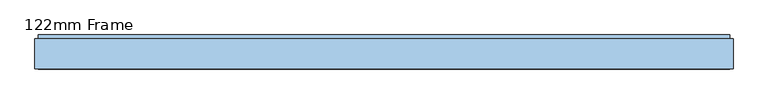
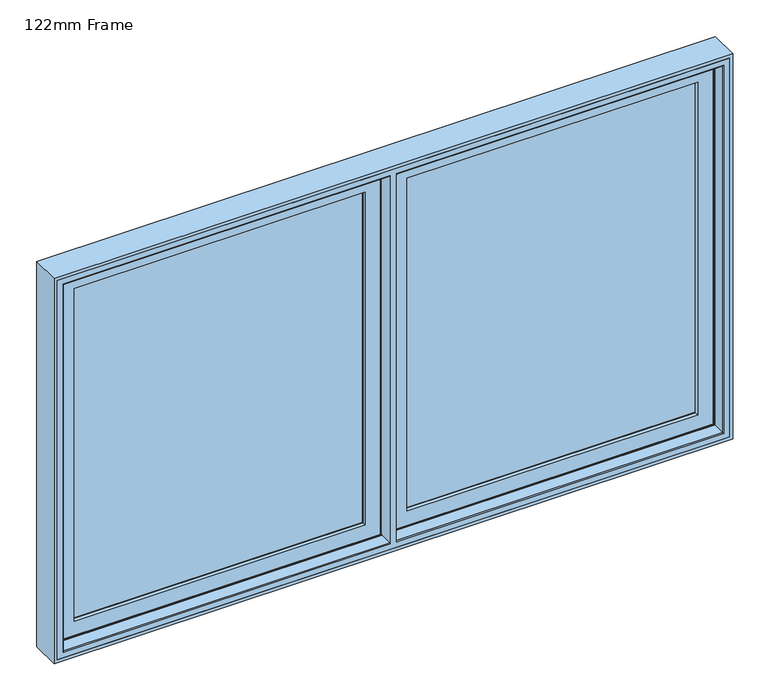
"""IFC4 building model written with IfcOpenShell, lengths in millimetres: window geometry, 122mm Frame."""

from ifc_helpers import new_model, si_unit, frame, origin, place, context, project, spatial, polyline, circle_curve, ellipse_curve, outline, extrude, faceted_brep, source, transform, mapped, element, save
from ifc_brep_helpers import plane_surface, cylinder_surface, advanced_brep


def window_122mm_frame_473fa7a0(model_context):
    return source(origin(), model_context, "Body", "SolidModel", [
        extrude(outline(polyline([(-1160.0, 141.0), (-65.6, 141.0), (-65.6, 93.0), (-1160.0, 93.0), (-1160.0, 141.0)])), frame((0.0, 0.0, 890.0), z_axis=(0.0, 0.0, 1.0), x_axis=(1.0, 0.0, 0.0)), (0.0, 0.0, 1.0), 1320.0),
        faceted_brep([(-43.2001533, 153.0, 2232.3998467), (-43.2001533, 148.4070391, 2232.3998467), (-43.2001533, 148.4070391, 867.6001533), (-43.2001533, 153.0, 867.6001533), (-37.9260611, 139.5531262, 2237.6739389), (-37.9260611, 139.5531262, 862.3260611), (-1182.3998467, 148.4070391, 867.6001533), (-1182.3998467, 153.0, 867.6001533), (-1182.3998467, 153.0, 2232.3998467), (-76.3433832, 153.0, 2199.2566168), (-1149.2566168, 153.0, 2199.2566168), (-1149.2566168, 153.0, 900.7433832), (-76.3433832, 153.0, 900.7433832), (-36.0866045, 139.5531262, 860.4866045), (-1189.5133955, 139.5531262, 860.4866045), (-1189.5133955, 139.5531262, 2239.5133955), (-36.0866045, 139.5531262, 2239.5133955), (-1187.6739389, 139.5531262, 2237.6739389), (-1187.6739389, 139.5531262, 862.3260611), (-36.0866045, 121.0, 2239.5133955), (-36.0866045, 121.0, 860.4866045), (-26.0866045, 121.0, 850.4866045), (-1199.5133955, 121.0, 850.4866045), (-1199.5133955, 121.0, 2249.5133955), (-26.0866045, 121.0, 2249.5133955), (-1189.5133955, 121.0, 2239.5133955), (-1189.5133955, 121.0, 860.4866045), (-26.0866045, 88.5, 2249.5133955), (-26.0866045, 88.5, 850.4866045), (-15.3023, 88.5, 839.7023001), (-1210.2977, 88.5, 839.7023001), (-1210.2977, 88.5, 2260.2977), (-15.3023, 88.5, 2260.2977), (-1199.5133955, 88.5, 2249.5133955), (-1199.5133955, 88.5, 850.4866045), (-15.3023, 83.5, 2260.2977), (-15.3023, 83.5, 839.7023001), (-1210.2977, 83.5, 2260.2977), (-1210.2977, 83.5, 839.7023001), (-22.1, 83.5, 846.5), (-1203.5, 83.5, 846.5), (-1203.5, 83.5, 2253.5), (-22.1, 83.5, 2253.5), (-22.1, 78.0, 2253.5), (-22.1, 78.0, 846.5), (-1203.5, 78.0, 2253.5), (-1203.5, 78.0, 846.5), (-77.2842184, 78.0, 901.6842184), (-1148.3157816, 78.0, 901.6842184), (-1148.3157816, 78.0, 2198.3157816), (-77.2842184, 78.0, 2198.3157816), (-79.5996933, 88.8934531, 2196.0003067), (-79.5996933, 88.8934531, 903.9996933), (-79.5996933, 93.0, 2196.0003067), (-79.5996933, 93.0, 903.9996933), (-1146.0003067, 88.8934531, 903.9996933), (-65.6, 93.0, 890.0), (-1160.0, 93.0, 890.0), (-1160.0, 93.0, 2210.0), (-65.6, 93.0, 2210.0), (-1146.0003067, 93.0, 2196.0003067), (-1146.0003067, 93.0, 903.9996933), (-65.6, 141.0, 2210.0), (-65.6, 141.0, 890.0), (-1160.0, 141.0, 2210.0), (-1160.0, 141.0, 890.0), (-80.0121514, 141.0, 904.4121514), (-1145.5878486, 141.0, 904.4121514), (-1145.5878486, 141.0, 2195.5878486), (-80.0121514, 141.0, 2195.5878486), (-1182.3998467, 148.4070391, 2232.3998467), (-1146.0003067, 88.8934531, 2196.0003067)], [[[0, 1, 2, 3]], [[1, 4, 5, 2]], [[3, 2, 6, 7]], [[3, 7, 8, 0], [9, 10, 11, 12]], [[13, 14, 15, 16], [4, 17, 18, 5]], [[2, 5, 18, 6]], [[16, 19, 20, 13]], [[21, 22, 23, 24], [19, 25, 26, 20]], [[13, 20, 26, 14]], [[24, 27, 28, 21]], [[29, 30, 31, 32], [27, 33, 34, 28]], [[21, 28, 34, 22]], [[32, 35, 36, 29]], [[35, 37, 38, 36], [39, 40, 41, 42]], [[29, 36, 38, 30]], [[42, 43, 44, 39]], [[43, 45, 46, 44], [47, 48, 49, 50]], [[39, 44, 46, 40]], [[50, 51, 52, 47]], [[51, 53, 54, 52]], [[47, 52, 55, 48]], [[56, 57, 58, 59], [53, 60, 61, 54]], [[52, 54, 61, 55]], [[59, 62, 63, 56]], [[62, 64, 65, 63], [66, 67, 68, 69]], [[56, 63, 65, 57]], [[69, 9, 12, 66]], [[66, 12, 11, 67]], [[7, 6, 70, 8]], [[6, 18, 17, 70]], [[14, 26, 25, 15]], [[22, 34, 33, 23]], [[30, 38, 37, 31]], [[40, 46, 45, 41]], [[48, 55, 71, 49]], [[55, 61, 60, 71]], [[57, 65, 64, 58]], [[67, 11, 10, 68]], [[8, 70, 1, 0]], [[70, 17, 4, 1]], [[15, 25, 19, 16]], [[23, 33, 27, 24]], [[31, 37, 35, 32]], [[41, 45, 43, 42]], [[49, 71, 51, 50]], [[71, 60, 53, 51]], [[58, 64, 62, 59]], [[68, 10, 9, 69]]]),
        advanced_brep(
        [(-1214.0, 83.0, 2264.0), (-1214.0, 35.0, 2264.0), (-1214.0, 35.0, 836.0), (-1214.0, 83.0, 836.0), (-1217.0, 32.0, 2267.0), (-1217.0, 32.0, 833.0), (-12.0, 35.0, 836.0), (-12.0, 83.0, 836.0), (1214.0, 35.0, 836.0), (1214.0, 83.0, 836.0), (12.0, 83.0, 836.0), (12.0, 35.0, 836.0), (-12.0, 83.0, 838.0), (-1212.0, 83.0, 838.0), (-1212.0, 83.0, 2262.0), (-12.0, 83.0, 2262.0), (-12.0, 83.0, 2264.0), (1214.0, 83.0, 2264.0), (12.0, 83.0, 2264.0), (12.0, 83.0, 2262.0), (1212.0, 83.0, 2262.0), (1212.0, 83.0, 838.0), (12.0, 83.0, 838.0), (-1212.0, 111.4, 2262.0), (-1212.0, 111.4, 838.0), (-12.0, 91.0, 838.0), (-20.2, 91.0, 838.0), (-17.695195, 111.4, 838.0), (1212.0, 111.4, 838.0), (17.695195, 111.4, 838.0), (20.2, 91.0, 838.0), (12.0, 91.0, 838.0), (-17.695195, 111.4, 846.0999998), (-1203.9000002, 111.4, 846.0999998), (-1203.9000002, 111.4, 2253.9000002), (-17.695195, 111.4, 2253.9000002), (-17.695195, 111.4, 2262.0), (1212.0, 111.4, 2262.0), (17.695195, 111.4, 2262.0), (17.695195, 111.4, 2253.9000002), (1203.9000002, 111.4, 2253.9000002), (1203.9000002, 111.4, 846.0999998), (17.695195, 111.4, 846.0999998), (-1203.9000002, 126.0, 2253.9000002), (-1203.9000002, 126.0, 846.0999998), (-15.9025404, 126.0, 846.0999998), (1203.9000002, 126.0, 846.0999998), (15.9025404, 126.0, 846.0999998), (-15.9025404, 126.0, 853.2798057), (-1196.7201943, 126.0, 853.2798057), (-1196.7201943, 126.0, 2246.7201943), (-15.9025404, 126.0, 2246.7201943), (-15.9025404, 126.0, 2253.9000002), (1203.9000002, 126.0, 2253.9000002), (15.9025404, 126.0, 2253.9000002), (15.9025404, 126.0, 2246.7201943), (1196.7201943, 126.0, 2246.7201943), (1196.7201943, 126.0, 853.2798057), (15.9025404, 126.0, 853.2798057), (-1196.7201943, 140.2372876, 2246.7201943), (-1196.7201943, 140.2372876, 853.2798057), (-14.1544213, 140.2372876, 853.2798057), (1196.7201943, 140.2372876, 853.2798057), (14.1544213, 140.2372876, 853.2798057), (-14.1544213, 140.2372876, 861.9868914), (-1188.0131086, 140.2372876, 861.9868914), (-1188.0131086, 140.2372876, 2238.0131086), (-14.1544213, 140.2372876, 2238.0131086), (-14.1544213, 140.2372876, 2246.7201943), (1196.7201943, 140.2372876, 2246.7201943), (14.1544213, 140.2372876, 2246.7201943), (14.1544213, 140.2372876, 2238.0131086), (1188.0131086, 140.2372876, 2238.0131086), (1188.0131086, 140.2372876, 861.9868914), (14.1544213, 140.2372876, 861.9868914), (-1188.0131086, 143.3877115, 2238.0131086), (-1188.0131086, 143.3877115, 861.9868914), (-13.9379874, 142.0, 861.9868914), (-38.4111574, 142.0, 861.9868914), (-37.9868914, 143.3877115, 861.9868914), (1188.0131086, 143.3877115, 861.9868914), (37.9868914, 143.3877115, 861.9868914), (38.4111574, 142.0, 861.9868914), (13.9379874, 142.0, 861.9868914), (-1191.2576108, 154.0, 858.7423892), (-1191.2576108, 154.0, 2241.2576108), (-34.7423892, 154.0, 858.7423892), (1191.2576108, 154.0, 858.7423892), (34.7423892, 154.0, 858.7423892), (1238.0, 154.0, 812.0), (-1238.0, 154.0, 812.0), (-1238.0, 154.0, 2288.0), (1238.0, 154.0, 2288.0), (-34.7423892, 154.0, 2241.2576108), (1191.2576108, 154.0, 2241.2576108), (34.7423892, 154.0, 2241.2576108), (-1238.0, 90.5, 2288.0), (-1238.0, 90.5, 812.0), (1238.0, 90.5, 812.0), (12.0, 90.5, 812.0), (12.0, 86.5, 812.0), (1238.0, 86.5, 812.0), (1238.0, 32.0, 812.0), (-1238.0, 32.0, 812.0), (-1238.0, 86.5, 812.0), (-12.0, 86.5, 812.0), (-12.0, 90.5, 812.0), (-12.0, 90.5, 819.0), (-1231.0, 90.5, 819.0), (-1231.0, 90.5, 2281.0), (-12.0, 90.5, 2281.0), (-12.0, 90.5, 2288.0), (1238.0, 90.5, 2288.0), (12.0, 90.5, 2288.0), (12.0, 90.5, 2281.0), (1231.0, 90.5, 2281.0), (1231.0, 90.5, 819.0), (12.0, 90.5, 819.0), (-12.0, 32.0, 833.0), (1217.0, 32.0, 833.0), (12.0, 32.0, 833.0), (-12.0, 86.5, 819.0), (-12.0, 32.0, 2267.0), (-12.0, 35.0, 2264.0), (-12.0, 91.0, 2262.0), (-12.0, 86.5, 2288.0), (-12.0, 86.5, 2281.0), (1214.0, 35.0, 2264.0), (12.0, 86.5, 819.0), (12.0, 32.0, 2267.0), (12.0, 91.0, 2262.0), (12.0, 35.0, 2264.0), (12.0, 86.5, 2288.0), (12.0, 86.5, 2281.0), (-20.2, 91.0, 2262.0), (-13.9379874, 142.0, 2238.0131086), (20.2, 91.0, 2262.0), (13.9379874, 142.0, 2238.0131086), (-38.4111574, 142.0, 2238.0131086), (-37.9868914, 143.3877115, 2238.0131086), (1188.0131086, 143.3877115, 2238.0131086), (37.9868914, 143.3877115, 2238.0131086), (38.4111574, 142.0, 2238.0131086), (-1231.0, 86.5, 2281.0), (-1231.0, 86.5, 819.0), (-1238.0, 86.5, 2288.0), (1231.0, 86.5, 819.0), (1231.0, 86.5, 2281.0), (1238.0, 86.5, 2288.0), (1238.0, 32.0, 2288.0), (-1238.0, 32.0, 2288.0), (1217.0, 32.0, 2267.0)],
        [
            (0, 1),
            (1, 2),
            (2, 3),
            (3, 0),
            (1, 4, ellipse_curve(frame((-1217.0, 35.0, 2267.0), z_axis=(-0.7071067811865475, 0.0, -0.7071067811865475), x_axis=(-0.7071067811865474, 0.0, 0.7071067811865476)), 4.2426407, 3.0)),
            (4, 5),
            (5, 2, ellipse_curve(frame((-1217.0, 35.0, 833.0), z_axis=(-0.7071067811865475, 0.0, 0.7071067811865475), x_axis=(0.7071067811865474, 0.0, 0.7071067811865476)), 4.2426407, 3.0)),
            (2, 6),
            (6, 7),
            (7, 3),
            (8, 9),
            (9, 10),
            (10, 11),
            (11, 8),
            (7, 12),
            (12, 13),
            (13, 14),
            (14, 15),
            (15, 16),
            (16, 0),
            (9, 17),
            (17, 18),
            (18, 19),
            (19, 20),
            (20, 21),
            (21, 22),
            (22, 10),
            (23, 14),
            (13, 24),
            (24, 23),
            (12, 25),
            (25, 26),
            (26, 27),
            (27, 24),
            (21, 28),
            (28, 29),
            (29, 30),
            (30, 31),
            (31, 22),
            (27, 32),
            (32, 33),
            (33, 34),
            (34, 35),
            (35, 36),
            (36, 23),
            (28, 37),
            (37, 38),
            (38, 39),
            (39, 40),
            (40, 41),
            (41, 42),
            (42, 29),
            (43, 34),
            (33, 44),
            (44, 43),
            (32, 45),
            (45, 44),
            (41, 46),
            (46, 47),
            (47, 42),
            (45, 48),
            (48, 49),
            (49, 50),
            (50, 51),
            (51, 52),
            (52, 43),
            (46, 53),
            (53, 54),
            (54, 55),
            (55, 56),
            (56, 57),
            (57, 58),
            (58, 47),
            (59, 50),
            (49, 60),
            (60, 59),
            (48, 61),
            (61, 60),
            (57, 62),
            (62, 63),
            (63, 58),
            (61, 64),
            (64, 65),
            (65, 66),
            (66, 67),
            (67, 68),
            (68, 59),
            (62, 69),
            (69, 70),
            (70, 71),
            (71, 72),
            (72, 73),
            (73, 74),
            (74, 63),
            (75, 66),
            (65, 76),
            (76, 75),
            (64, 77),
            (77, 78),
            (78, 79),
            (79, 76),
            (73, 80),
            (80, 81),
            (81, 82),
            (82, 83),
            (83, 74),
            (76, 84),
            (84, 85),
            (85, 75),
            (79, 86),
            (86, 84),
            (80, 87),
            (87, 88),
            (88, 81),
            (89, 90),
            (90, 91),
            (91, 92),
            (92, 89),
            (86, 93),
            (93, 85),
            (94, 95),
            (95, 88),
            (87, 94),
            (96, 91),
            (90, 97),
            (97, 96),
            (89, 98),
            (98, 99),
            (99, 100),
            (100, 101),
            (101, 102),
            (102, 103),
            (103, 104),
            (104, 105),
            (105, 106),
            (106, 97),
            (106, 107),
            (107, 108),
            (108, 109),
            (109, 110),
            (110, 111),
            (111, 96),
            (98, 112),
            (112, 113),
            (113, 114),
            (114, 115),
            (115, 116),
            (116, 117),
            (117, 99),
            (5, 118),
            (118, 6, circle_curve(frame((-12.0, 35.0, 833.0), z_axis=(-1.0, 0.0, 0.0), x_axis=(0.0, 1.0, 0.0)), 3.0)),
            (119, 8, ellipse_curve(frame((1217.0, 35.0, 833.0), z_axis=(-0.7071067811865475, 0.0, -0.7071067811865475), x_axis=(-0.7071067811865476, 0.0, 0.7071067811865474)), 4.2426407, 3.0)),
            (11, 120, circle_curve(frame((12.0, 35.0, 833.0), z_axis=(1.0, 0.0, 0.0), x_axis=(0.0, 1.0, 0.0)), 3.0)),
            (120, 119),
            (105, 121),
            (121, 107),
            (118, 122),
            (122, 123, circle_curve(frame((-12.0, 35.0, 2267.0), z_axis=(1.0, 0.0, 0.0), x_axis=(0.0, 1.0, 0.0)), 3.0)),
            (123, 16),
            (15, 124),
            (124, 25),
            (125, 111),
            (110, 126),
            (126, 125),
            (8, 127),
            (127, 17),
            (117, 128),
            (128, 100),
            (129, 120),
            (31, 130),
            (130, 19),
            (18, 131),
            (131, 129, circle_curve(frame((12.0, 35.0, 2267.0), z_axis=(-1.0, 0.0, 0.0), x_axis=(0.0, 1.0, 0.0)), 3.0)),
            (113, 132),
            (132, 133),
            (133, 114),
            (134, 26),
            (124, 134),
            (135, 77),
            (134, 36),
            (35, 52),
            (51, 68),
            (67, 135),
            (20, 37),
            (136, 30),
            (83, 137),
            (137, 71),
            (70, 55),
            (54, 39),
            (38, 136),
            (136, 130),
            (40, 53),
            (56, 69),
            (138, 78),
            (135, 138),
            (138, 139),
            (139, 93),
            (72, 140),
            (140, 80),
            (95, 141),
            (141, 142),
            (142, 82),
            (142, 137),
            (140, 94),
            (92, 112),
            (143, 144),
            (144, 121),
            (104, 145),
            (145, 125),
            (126, 143),
            (146, 147),
            (147, 133),
            (132, 148),
            (148, 101),
            (128, 146),
            (149, 102),
            (148, 149),
            (149, 150),
            (150, 103),
            (4, 122),
            (129, 151),
            (151, 119),
            (150, 145),
            (151, 127, ellipse_curve(frame((1217.0, 35.0, 2267.0), z_axis=(0.7071067811865475, 0.0, -0.7071067811865475), x_axis=(-0.7071067811865474, 0.0, -0.7071067811865476)), 4.2426407, 3.0)),
            (143, 109),
            (108, 144),
            (116, 146),
            (115, 147),
            (123, 1),
            (127, 131),
            (75, 139),
            (141, 140),
        ],
        [
            plane_surface(frame((-1214.0, 35.0, 2264.0), z_axis=(1.0, 0.0, 0.0), x_axis=(0.0, 0.0, -1.0))),
            cylinder_surface(frame((-1217.0, 35.0, 2288.0), z_axis=(0.0, 0.0, 1.0), x_axis=(0.0, 1.0, 0.0)), 3.0),
            plane_surface(frame((-1214.0, 35.0, 836.0), z_axis=(0.0, 0.0, 1.0), x_axis=(1.0, 0.0, 0.0))),
            plane_surface(frame((1214.0, 83.0, 2264.0), z_axis=(0.0, -1.0, 0.0), x_axis=(-1.0, 0.0, 0.0))),
            plane_surface(frame((-1212.0, 83.0, 2262.0), z_axis=(1.0, 0.0, 0.0), x_axis=(0.0, 0.0, -1.0))),
            plane_surface(frame((-1212.0, 83.0, 838.0), z_axis=(0.0, 0.0, 1.0), x_axis=(1.0, 0.0, 0.0))),
            plane_surface(frame((1212.0, 111.4, 2262.0), z_axis=(0.0, -1.0, 0.0), x_axis=(-1.0, 0.0, 0.0))),
            plane_surface(frame((-1203.9000002, 111.4, 2253.9000002), z_axis=(1.0, 0.0, 0.0), x_axis=(0.0, 0.0, -1.0))),
            plane_surface(frame((-1203.9000002, 111.4, 846.0999998), z_axis=(0.0, 0.0, 1.0), x_axis=(1.0, 0.0, 0.0))),
            plane_surface(frame((1203.9000002, 126.0, 2253.9000002), z_axis=(0.0, -1.0, 0.0), x_axis=(-1.0, 0.0, 0.0))),
            plane_surface(frame((-1196.7201943, 126.0, 2246.7201943), z_axis=(1.0, 0.0, 0.0), x_axis=(0.0, 0.0, -1.0))),
            plane_surface(frame((-1196.7201943, 126.0, 853.2798057), z_axis=(0.0, 0.0, 1.0), x_axis=(1.0, 0.0, 0.0))),
            plane_surface(frame((1196.7201943, 140.2372876, 2246.7201943), z_axis=(0.0, -1.0, 0.0), x_axis=(-1.0, 0.0, 0.0))),
            plane_surface(frame((-1188.0131086, 140.2372876, 2238.0131086), z_axis=(1.0, 0.0, 0.0), x_axis=(0.0, 0.0, -1.0))),
            plane_surface(frame((-1188.0131086, 140.2372876, 861.9868914), z_axis=(0.0, 0.0, 1.0), x_axis=(1.0, 0.0, 0.0))),
            plane_surface(frame((-1188.0131086, 143.3877115, 2238.0131086), z_axis=(0.9563047559629361, 0.29237170472306184, 0.0), x_axis=(0.0, 0.0, -1.0))),
            plane_surface(frame((-1188.0131086, 143.3877115, 861.9868914), z_axis=(0.0, 0.29237170472306184, 0.9563047559629361), x_axis=(1.0, 0.0, 0.0))),
            plane_surface(frame((1191.2576108, 154.0, 2241.2576108), z_axis=(0.0, 1.0, 0.0), x_axis=(-1.0, 0.0, 0.0))),
            plane_surface(frame((-1238.0, 154.0, 2288.0), z_axis=(-1.0, 0.0, 0.0), x_axis=(0.0, 0.0, -1.0))),
            plane_surface(frame((-1238.0, 154.0, 812.0), z_axis=(0.0, 0.0, -1.0), x_axis=(1.0, 0.0, 0.0))),
            plane_surface(frame((1238.0, 90.5, 2288.0), z_axis=(0.0, -1.0, 0.0), x_axis=(-1.0, 0.0, 0.0))),
            cylinder_surface(frame((-1238.0, 35.0, 833.0), z_axis=(-1.0, 0.0, 0.0), x_axis=(0.0, 1.0, 0.0)), 3.0),
            plane_surface(frame((-12.0, 91.0, 2288.0), z_axis=(-1.0, 0.0, 0.0), x_axis=(0.0, 0.0, -1.0))),
            plane_surface(frame((1214.0, 35.0, 836.0), z_axis=(-1.0, 0.0, 0.0), x_axis=(0.0, 0.0, 1.0))),
            plane_surface(frame((12.0, 32.0, 2288.0), z_axis=(1.0, 0.0, 0.0), x_axis=(0.0, 0.0, -1.0))),
            plane_surface(frame((-20.2, 91.0, 2288.0), z_axis=(0.0, -1.0, 0.0), x_axis=(0.0, 0.0, -1.0))),
            plane_surface(frame((-13.9379874, 142.0, 2288.0), z_axis=(-0.9925461516413188, 0.12186934340517401, 0.0), x_axis=(0.0, 0.0, -1.0))),
            plane_surface(frame((1212.0, 83.0, 838.0), z_axis=(-1.0, 0.0, 0.0), x_axis=(0.0, 0.0, 1.0))),
            plane_surface(frame((20.2, 91.0, 2288.0), z_axis=(0.9925461516413152, 0.12186934340520379, 0.0), x_axis=(0.0, 0.0, -1.0))),
            plane_surface(frame((12.0, 91.0, 2288.0), z_axis=(0.0, -1.0, 0.0), x_axis=(0.0, 0.0, -1.0))),
            plane_surface(frame((1203.9000002, 111.4, 846.0999998), z_axis=(-1.0, 0.0, 0.0), x_axis=(0.0, 0.0, 1.0))),
            plane_surface(frame((1196.7201943, 126.0, 853.2798057), z_axis=(-1.0, 0.0, 0.0), x_axis=(0.0, 0.0, 1.0))),
            plane_surface(frame((-38.4111574, 142.0, 2288.0), z_axis=(0.0, -1.0, 0.0), x_axis=(0.0, 0.0, -1.0))),
            plane_surface(frame((-34.7423892, 154.0, 2288.0), z_axis=(-0.9563047559630359, 0.2923717047227355, 0.0), x_axis=(0.0, 0.0, -1.0))),
            plane_surface(frame((1188.0131086, 140.2372876, 861.9868914), z_axis=(-1.0, 0.0, 0.0), x_axis=(0.0, 0.0, 1.0))),
            plane_surface(frame((38.4111574, 142.0, 2288.0), z_axis=(0.956304755963034, 0.2923717047227417, 0.0), x_axis=(0.0, 0.0, -1.0))),
            plane_surface(frame((13.9379874, 142.0, 2288.0), z_axis=(0.0, -1.0, 0.0), x_axis=(0.0, 0.0, -1.0))),
            plane_surface(frame((1188.0131086, 143.3877115, 861.9868914), z_axis=(-0.9563047559629361, 0.29237170472306184, 0.0), x_axis=(0.0, 0.0, 1.0))),
            plane_surface(frame((1238.0, 154.0, 812.0), z_axis=(1.0, 0.0, 0.0), x_axis=(0.0, 0.0, 1.0))),
            plane_surface(frame((1231.0, 86.5, 2281.0), z_axis=(0.0, 1.0, 0.0), x_axis=(-1.0, 0.0, 0.0))),
            plane_surface(frame((1238.0, 86.5, 812.0), z_axis=(1.0, 0.0, 0.0), x_axis=(0.0, 0.0, 1.0))),
            plane_surface(frame((1238.0, 32.0, 2288.0), z_axis=(0.0, -1.0, 0.0), x_axis=(-1.0, 0.0, 0.0))),
            plane_surface(frame((-1238.0, 86.5, 2288.0), z_axis=(-1.0, 0.0, 0.0), x_axis=(0.0, 0.0, -1.0))),
            cylinder_surface(frame((1217.0, 35.0, 812.0), z_axis=(0.0, 0.0, -1.0), x_axis=(0.0, 1.0, 0.0)), 3.0),
            plane_surface(frame((-1231.0, 90.5, 2281.0), z_axis=(-1.0, 0.0, 0.0), x_axis=(0.0, 0.0, -1.0))),
            plane_surface(frame((-1231.0, 90.5, 819.0), z_axis=(0.0, 0.0, -1.0), x_axis=(1.0, 0.0, 0.0))),
            plane_surface(frame((1231.0, 90.5, 819.0), z_axis=(1.0, 0.0, 0.0), x_axis=(0.0, 0.0, 1.0))),
            plane_surface(frame((1214.0, 35.0, 2264.0), z_axis=(0.0, 0.0, -1.0), x_axis=(-1.0, 0.0, 0.0))),
            plane_surface(frame((1212.0, 83.0, 2262.0), z_axis=(0.0, 0.0, -1.0), x_axis=(-1.0, 0.0, 0.0))),
            plane_surface(frame((1203.9000002, 111.4, 2253.9000002), z_axis=(0.0, 0.0, -1.0), x_axis=(-1.0, 0.0, 0.0))),
            plane_surface(frame((1196.7201943, 126.0, 2246.7201943), z_axis=(0.0, 0.0, -1.0), x_axis=(-1.0, 0.0, 0.0))),
            plane_surface(frame((1188.0131086, 140.2372876, 2238.0131086), z_axis=(0.0, 0.0, -1.0), x_axis=(-1.0, 0.0, 0.0))),
            plane_surface(frame((1188.0131086, 143.3877115, 2238.0131086), z_axis=(0.0, 0.29237170472306184, -0.9563047559629361), x_axis=(-1.0, 0.0, 0.0))),
            plane_surface(frame((1238.0, 154.0, 2288.0), z_axis=(0.0, 0.0, 1.0), x_axis=(-1.0, 0.0, 0.0))),
            cylinder_surface(frame((1238.0, 35.0, 2267.0), z_axis=(1.0, 0.0, 0.0), x_axis=(0.0, 1.0, 0.0)), 3.0),
            plane_surface(frame((1231.0, 90.5, 2281.0), z_axis=(0.0, 0.0, 1.0), x_axis=(-1.0, 0.0, 0.0))),
        ],
        [
            (0, [[1, 2, 3, 4]]),
            (1, [[-2, 5, 6, 7]]),
            (2, [[-3, 8, 9, 10]]),
            (2, [[11, 12, 13, 14]]),
            (3, [[-4, -10, 15, 16, 17, 18, 19, 20]]),
            (3, [[21, 22, 23, 24, 25, 26, 27, -12]]),
            (4, [[28, -17, 29, 30]]),
            (5, [[-29, -16, 31, 32, 33, 34]]),
            (5, [[35, 36, 37, 38, 39, -26]]),
            (6, [[-30, -34, 40, 41, 42, 43, 44, 45]]),
            (6, [[46, 47, 48, 49, 50, 51, 52, -36]]),
            (7, [[53, -42, 54, 55]]),
            (8, [[-54, -41, 56, 57]]),
            (8, [[58, 59, 60, -51]]),
            (9, [[-55, -57, 61, 62, 63, 64, 65, 66]]),
            (9, [[67, 68, 69, 70, 71, 72, 73, -59]]),
            (10, [[74, -63, 75, 76]]),
            (11, [[-75, -62, 77, 78]]),
            (11, [[79, 80, 81, -72]]),
            (12, [[-76, -78, 82, 83, 84, 85, 86, 87]]),
            (12, [[88, 89, 90, 91, 92, 93, 94, -80]]),
            (13, [[95, -84, 96, 97]]),
            (14, [[-96, -83, 98, 99, 100, 101]]),
            (14, [[102, 103, 104, 105, 106, -93]]),
            (15, [[-97, 107, 108, 109]]),
            (16, [[-107, -101, 110, 111]]),
            (16, [[112, 113, 114, -103]]),
            (17, [[115, 116, 117, 118], [-108, -111, 119, 120], [121, 122, -113, 123]]),
            (18, [[124, -116, 125, 126]]),
            (19, [[-125, -115, 127, 128, 129, 130, 131, 132, 133, 134, 135, 136]]),
            (20, [[-126, -136, 137, 138, 139, 140, 141, 142]]),
            (20, [[143, 144, 145, 146, 147, 148, 149, -128]]),
            (21, [[-7, 150, 151, -8]]),
            (21, [[152, -14, 153, 154]]),
            (22, [[-135, 155, 156, -137]]),
            (22, [[157, 158, 159, -19, 160, 161, -31, -15, -9, -151]]),
            (22, [[162, -141, 163, 164]]),
            (23, [[-11, 165, 166, -21]]),
            (24, [[-129, -149, 167, 168]]),
            (24, [[169, -153, -13, -27, -39, 170, 171, -23, 172, 173]]),
            (24, [[174, 175, 176, -145]]),
            (25, [[177, -32, -161, 178]]),
            (26, [[179, -98, -82, -77, -61, -56, -40, -33, -177, 180, -44, 181, -65, 182, -86, 183]]),
            (27, [[-35, -25, 184, -46]]),
            (28, [[185, -37, -52, -60, -73, -81, -94, -106, 186, 187, -90, 188, -69, 189, -48, 190]]),
            (29, [[-170, -38, -185, 191]]),
            (30, [[-58, -50, 192, -67]]),
            (31, [[-79, -71, 193, -88]]),
            (32, [[194, -99, -179, 195]]),
            (33, [[-119, -110, -100, -194, 196, 197]]),
            (34, [[-102, -92, 198, 199]]),
            (35, [[-122, 200, 201, 202, -104, -114]]),
            (36, [[-186, -105, -202, 203]]),
            (37, [[-112, -199, 204, -123]]),
            (38, [[-127, -118, 205, -143]]),
            (39, [[206, 207, -155, -134, 208, 209, -164, 210]]),
            (39, [[211, 212, -175, 213, 214, -130, -168, 215]]),
            (40, [[216, -131, -214, 217]]),
            (41, [[-132, -216, 218, 219], [-6, 220, -157, -150], [-154, -169, 221, 222]]),
            (42, [[-219, 223, -208, -133]]),
            (43, [[-165, -152, -222, 224]]),
            (44, [[225, -139, 226, -206]]),
            (45, [[-226, -138, -156, -207]]),
            (45, [[227, -215, -167, -148]]),
            (46, [[-227, -147, 228, -211]]),
            (47, [[-1, -20, -159, 229]]),
            (47, [[-166, 230, -172, -22]]),
            (48, [[-28, -45, -180, -178, -160, -18]]),
            (48, [[-184, -24, -171, -191, -190, -47]]),
            (49, [[-53, -66, -181, -43]]),
            (49, [[-192, -49, -189, -68]]),
            (50, [[-74, -87, -182, -64]]),
            (50, [[-193, -70, -188, -89]]),
            (51, [[-95, 231, -196, -195, -183, -85]]),
            (51, [[-198, -91, -187, -203, -201, 232]]),
            (52, [[-109, -120, -197, -231]]),
            (52, [[-204, -232, -200, -121]]),
            (53, [[-117, -124, -142, -162, -209, -223, -218, -217, -213, -174, -144, -205]]),
            (54, [[-5, -229, -158, -220]]),
            (54, [[-224, -221, -173, -230]]),
            (55, [[-225, -210, -163, -140]]),
            (55, [[-228, -146, -176, -212]]),
        ],
    ),
        extrude(outline(polyline([(2300.0, -1250.0), (800.0, -1250.0), (800.0, 1250.0), (2300.0, 1250.0), (2300.0, -1250.0)]), holes=[polyline([(2288.0, 1238.0), (812.0, 1238.0), (812.0, -1238.0), (2288.0, -1238.0), (2288.0, 1238.0)])]), frame((0.0, 32.0, 0.0), z_axis=(0.0, 1.0, 0.0), x_axis=(0.0, 0.0, 1.0)), (0.0, 0.0, 1.0), 109.0),
        extrude(outline(polyline([(65.6, 141.0), (1160.0, 141.0), (1160.0, 93.0), (65.6, 93.0), (65.6, 141.0)])), frame((0.0, 0.0, 890.0), z_axis=(0.0, 0.0, 1.0), x_axis=(1.0, 0.0, 0.0)), (0.0, 0.0, 1.0), 1320.0),
        faceted_brep([(43.2001533, 148.4070391, 2232.3998467), (43.2001533, 153.0, 2232.3998467), (43.2001533, 153.0, 867.6001533), (43.2001533, 148.4070391, 867.6001533), (1182.3998467, 153.0, 2232.3998467), (1182.3998467, 153.0, 867.6001533), (76.3433832, 153.0, 900.7433832), (1149.2566168, 153.0, 900.7433832), (1149.2566168, 153.0, 2199.2566168), (76.3433832, 153.0, 2199.2566168), (1182.3998467, 148.4070391, 867.6001533), (37.9260611, 139.5531262, 2237.6739389), (37.9260611, 139.5531262, 862.3260611), (1187.6739389, 139.5531262, 862.3260611), (36.0866045, 139.5531262, 2239.5133955), (1189.5133955, 139.5531262, 2239.5133955), (1189.5133955, 139.5531262, 860.4866045), (36.0866045, 139.5531262, 860.4866045), (1187.6739389, 139.5531262, 2237.6739389), (36.0866045, 121.0, 2239.5133955), (36.0866045, 121.0, 860.4866045), (1189.5133955, 121.0, 860.4866045), (26.0866045, 121.0, 2249.5133955), (1199.5133955, 121.0, 2249.5133955), (1199.5133955, 121.0, 850.4866045), (26.0866045, 121.0, 850.4866045), (1189.5133955, 121.0, 2239.5133955), (26.0866045, 88.5, 2249.5133955), (26.0866045, 88.5, 850.4866045), (1199.5133955, 88.5, 850.4866045), (15.3023, 88.5, 2260.2977), (1210.2976999, 88.5, 2260.2977), (1210.2976999, 88.5, 839.7023001), (15.3023, 88.5, 839.7023001), (1199.5133955, 88.5, 2249.5133955), (15.3023, 83.5, 2260.2977), (15.3023, 83.5, 839.7023001), (1210.2976999, 83.5, 839.7023001), (1210.2976999, 83.5, 2260.2977), (22.1, 83.5, 2253.5), (1203.5, 83.5, 2253.5), (1203.5, 83.5, 846.5), (22.1, 83.5, 846.5), (22.1, 78.0, 2253.5), (22.1, 78.0, 846.5), (1203.5, 78.0, 846.5), (1203.5, 78.0, 2253.5), (77.2842184, 78.0, 2198.3157816), (1148.3157816, 78.0, 2198.3157816), (1148.3157816, 78.0, 901.6842184), (77.2842184, 78.0, 901.6842184), (79.5996933, 88.8934531, 2196.0003067), (79.5996933, 88.8934531, 903.9996933), (1146.0003067, 88.8934531, 903.9996933), (79.5996933, 93.0, 2196.0003067), (79.5996933, 93.0, 903.9996933), (1146.0003067, 93.0, 903.9996933), (65.6, 93.0, 2210.0), (1160.0, 93.0, 2210.0), (1160.0, 93.0, 890.0), (65.6, 93.0, 890.0), (1146.0003067, 93.0, 2196.0003067), (65.6, 141.0, 2210.0), (65.6, 141.0, 890.0), (1160.0, 141.0, 890.0), (1160.0, 141.0, 2210.0), (80.0121514, 141.0, 2195.5878486), (1145.5878486, 141.0, 2195.5878486), (1145.5878486, 141.0, 904.4121514), (80.0121514, 141.0, 904.4121514), (1182.3998467, 148.4070391, 2232.3998467), (1146.0003067, 88.8934531, 2196.0003067)], [[[0, 1, 2, 3]], [[1, 4, 5, 2], [6, 7, 8, 9]], [[3, 2, 5, 10]], [[11, 0, 3, 12]], [[12, 3, 10, 13]], [[14, 15, 16, 17], [12, 13, 18, 11]], [[19, 14, 17, 20]], [[20, 17, 16, 21]], [[22, 23, 24, 25], [20, 21, 26, 19]], [[27, 22, 25, 28]], [[28, 25, 24, 29]], [[30, 31, 32, 33], [28, 29, 34, 27]], [[35, 30, 33, 36]], [[36, 33, 32, 37]], [[36, 37, 38, 35], [39, 40, 41, 42]], [[43, 39, 42, 44]], [[44, 42, 41, 45]], [[44, 45, 46, 43], [47, 48, 49, 50]], [[51, 47, 50, 52]], [[52, 50, 49, 53]], [[54, 51, 52, 55]], [[55, 52, 53, 56]], [[57, 58, 59, 60], [55, 56, 61, 54]], [[62, 57, 60, 63]], [[63, 60, 59, 64]], [[63, 64, 65, 62], [66, 67, 68, 69]], [[9, 66, 69, 6]], [[6, 69, 68, 7]], [[10, 5, 4, 70]], [[13, 10, 70, 18]], [[21, 16, 15, 26]], [[29, 24, 23, 34]], [[37, 32, 31, 38]], [[45, 41, 40, 46]], [[53, 49, 48, 71]], [[56, 53, 71, 61]], [[64, 59, 58, 65]], [[7, 68, 67, 8]], [[70, 4, 1, 0]], [[18, 70, 0, 11]], [[26, 15, 14, 19]], [[34, 23, 22, 27]], [[38, 31, 30, 35]], [[46, 40, 39, 43]], [[71, 48, 47, 51]], [[61, 71, 51, 54]], [[65, 58, 57, 62]], [[8, 67, 66, 9]]]),
    ])


if __name__ == "__main__":
    model = new_model("IFC4")
    model_context = context("Model", 3, world=origin())
    ifc_project = project(units=[si_unit("LENGTHUNIT", "METRE", prefix="MILLI")], contexts=[model_context])
    site = spatial("IfcSite", under=ifc_project)
    building = spatial("IfcBuilding", under=site)
    placement = place(None, origin())
    window_122mm_frame_shape = window_122mm_frame_473fa7a0(model_context)
    element("IfcWindow", 1, ObjectType="122mm Frame", at=placement, inside=building, context=model_context, shape_type="MappedRepresentation", body=[
        mapped(window_122mm_frame_shape, transform((0.0, 0.0, 0.0), x_axis=(1.0, 0.0, 0.0), y_axis=(0.0, 1.0, 0.0), z_axis=(0.0, 0.0, 1.0))),
    ])
    save(model, "model.ifc")
